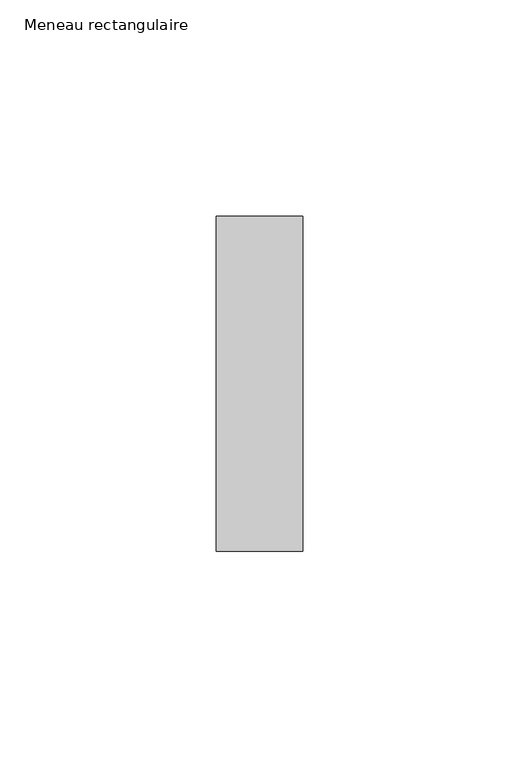
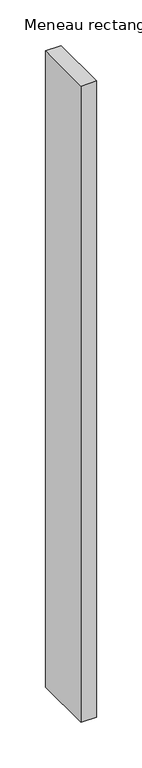
"""IFC4 building model written with IfcOpenShell, lengths in millimetres: member geometry, Meneau rectangulaire."""

from ifc_helpers import new_model, si_unit, frame, origin, place, context, project, spatial, polyline, outline, extrude, source, transform, mapped, element, save


def meneau_rectangulaire_5c7daa88(model_context):
    return source(origin(), model_context, "Body", "SweptSolid", [
        extrude(outline(polyline([(0.0, 38.75), (0.0, -38.75), (-20.0, -38.75), (-20.0, 38.75), (0.0, 38.75)])), frame((0.0, 0.0, -850.7695155), z_axis=(0.0, 0.0, 1.0), x_axis=(1.0, 0.0, 0.0)), (0.0, 0.0, 1.0), 850.7695155),
    ])


if __name__ == "__main__":
    model = new_model("IFC4")
    model_context = context("Model", 3, world=origin())
    ifc_project = project(units=[si_unit("LENGTHUNIT", "METRE", prefix="MILLI")], contexts=[model_context])
    site = spatial("IfcSite", under=ifc_project)
    building = spatial("IfcBuilding", under=site)
    placement = place(None, origin())
    meneau_rectangulaire_shape = meneau_rectangulaire_5c7daa88(model_context)
    element("IfcMember", 1, ObjectType="Meneau rectangulaire", at=placement, inside=building, context=model_context, shape_type="MappedRepresentation", body=[
        mapped(meneau_rectangulaire_shape, transform((0.0, 0.0, 0.0), x_axis=(1.0, 0.0, 0.0), y_axis=(0.0, 1.0, 0.0), z_axis=(0.0, 0.0, 1.0))),
    ])
    save(model, "model.ifc")
